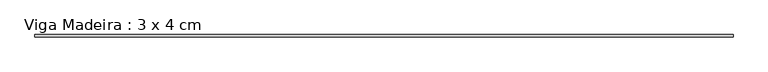
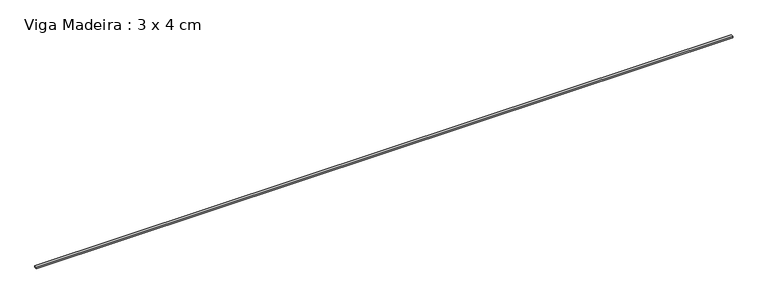
"""IFC4 building model written with IfcOpenShell, lengths in millimetres: beam geometry, Viga Madeira : 3 x 4 cm."""

from ifc_helpers import new_model, si_unit, frame, origin, place, context, project, spatial, polyline, outline, extrude, source, transform, mapped, element, save


def viga_madeira_3_x_4_cm_d8ad7c9e(model_context):
    return source(origin(), model_context, "Body", "SweptSolid", [
        extrude(outline(polyline([(5839.1720285, 20.0), (5839.1720285, -20.0), (-5839.1720285, -20.0), (-5839.1720285, 20.0), (5839.1720285, 20.0)])), frame((0.0, 0.0, -15.0), z_axis=(0.0, 0.0, 1.0), x_axis=(1.0, 0.0, 0.0)), (0.0, 0.0, 1.0), 30.0),
    ])


if __name__ == "__main__":
    model = new_model("IFC4")
    model_context = context("Model", 3, world=origin())
    ifc_project = project(units=[si_unit("LENGTHUNIT", "METRE", prefix="MILLI")], contexts=[model_context])
    site = spatial("IfcSite", under=ifc_project)
    building = spatial("IfcBuilding", under=site)
    placement = place(None, origin())
    viga_madeira_3_x_4_cm_shape = viga_madeira_3_x_4_cm_d8ad7c9e(model_context)
    element("IfcBeam", 1, ObjectType="Viga Madeira : 3 x 4 cm", at=placement, inside=building, context=model_context, shape_type="MappedRepresentation", body=[
        mapped(viga_madeira_3_x_4_cm_shape, transform((0.0, 0.0, 0.0), x_axis=(1.0, 0.0, 0.0), y_axis=(0.0, 1.0, 0.0), z_axis=(0.0, 0.0, 1.0))),
    ])
    save(model, "model.ifc")
